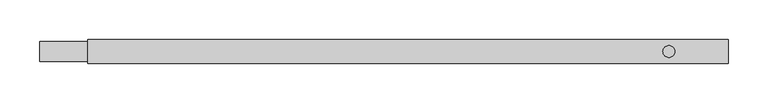
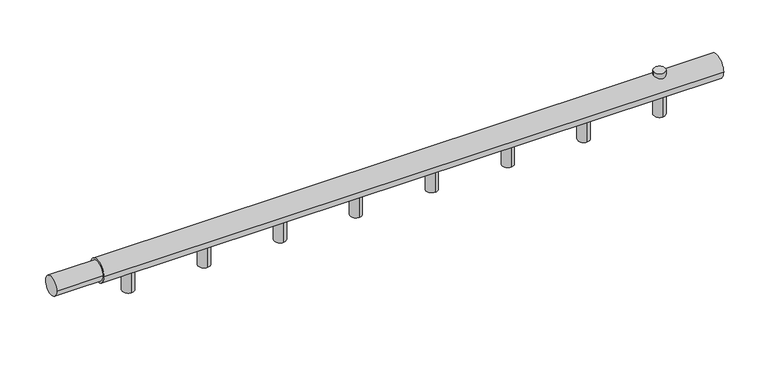
"""IFC4 building model written with IfcOpenShell, lengths in millimetres: proxy geometry."""

from ifc_helpers import new_model, si_unit, point, frame, frame_2d, origin, origin_with_axes, origin_2d, place, context, project, spatial, circle_curve, trimmed, segment, composite_curve, outline, extrude, source, transform, mapped, element, save


def mechanical_equipment_4c40f682(model_context):
    return source(origin(), model_context, "Body", "SweptSolid", [
        extrude(outline(composite_curve([segment(trimmed(circle_curve(frame_2d((790.4545455, 0.0)), 7.5), [point((782.9545455, 0.0))], [point((797.9545455, 0.0))], False, "CARTESIAN"), True, "CONTINUOUS"), segment(trimmed(circle_curve(frame_2d((790.4545455, 0.0)), 7.5), [point((797.9545455, 0.0))], [point((782.9545455, 0.0))], False, "CARTESIAN"), True, "CONTINUOUS")], self_intersect=False)), origin_with_axes(), (0.0, 0.0, 1.0), 20.0),
        extrude(outline(composite_curve([segment(trimmed(circle_curve(origin_2d(), 12.5), [point((-12.5, 0.0))], [point((12.5, 0.0))], False, "CARTESIAN"), True, "CONTINUOUS"), segment(trimmed(circle_curve(origin_2d(), 12.5), [point((12.5, 0.0))], [point((-12.5, 0.0))], False, "CARTESIAN"), True, "CONTINUOUS")], self_intersect=False)), frame((0.0, 0.0, 0.0), z_axis=(1.0, 0.0, 0.0), x_axis=(0.0, 1.0, 0.0)), (0.0, 0.0, 1.0), 60.0),
        extrude(outline(composite_curve([segment(trimmed(circle_curve(origin_2d(), 15.0), [point((-15.0, 0.0))], [point((15.0, 0.0))], False, "CARTESIAN"), True, "CONTINUOUS"), segment(trimmed(circle_curve(origin_2d(), 15.0), [point((15.0, 0.0))], [point((-15.0, 0.0))], False, "CARTESIAN"), True, "CONTINUOUS")], self_intersect=False)), frame((60.0, 0.0, 0.0), z_axis=(1.0, 0.0, 0.0), x_axis=(0.0, 1.0, 0.0)), (0.0, 0.0, 1.0), 805.0),
        extrude(outline(composite_curve([segment(trimmed(circle_curve(frame_2d((790.4545455, 0.0)), 7.5), [point((790.4545455, 7.5))], [point((790.4545455, -7.5))], False, "CARTESIAN"), True, "CONTINUOUS"), segment(trimmed(circle_curve(frame_2d((790.4545455, 0.0)), 7.5), [point((790.4545455, -7.5))], [point((790.4545455, 7.5))], False, "CARTESIAN"), True, "CONTINUOUS")], self_intersect=False)), frame((0.0, 0.0, -40.0), z_axis=(0.0, 0.0, 1.0), x_axis=(1.0, 0.0, 0.0)), (0.0, 0.0, 1.0), 40.0),
        extrude(outline(composite_curve([segment(trimmed(circle_curve(frame_2d((691.8181818, 0.0)), 7.5), [point((691.8181818, 7.5))], [point((691.8181818, -7.5))], False, "CARTESIAN"), True, "CONTINUOUS"), segment(trimmed(circle_curve(frame_2d((691.8181818, 0.0)), 7.5), [point((691.8181818, -7.5))], [point((691.8181818, 7.5))], False, "CARTESIAN"), True, "CONTINUOUS")], self_intersect=False)), frame((0.0, 0.0, -40.0), z_axis=(0.0, 0.0, 1.0), x_axis=(1.0, 0.0, 0.0)), (0.0, 0.0, 1.0), 40.0),
        extrude(outline(composite_curve([segment(trimmed(circle_curve(frame_2d((593.1818182, 0.0)), 7.5), [point((593.1818182, 7.5))], [point((593.1818182, -7.5))], False, "CARTESIAN"), True, "CONTINUOUS"), segment(trimmed(circle_curve(frame_2d((593.1818182, 0.0)), 7.5), [point((593.1818182, -7.5))], [point((593.1818182, 7.5))], False, "CARTESIAN"), True, "CONTINUOUS")], self_intersect=False)), frame((0.0, 0.0, -40.0), z_axis=(0.0, 0.0, 1.0), x_axis=(1.0, 0.0, 0.0)), (0.0, 0.0, 1.0), 40.0),
        extrude(outline(composite_curve([segment(trimmed(circle_curve(frame_2d((494.5454545, 0.0)), 7.5), [point((494.5454545, 7.5))], [point((494.5454545, -7.5))], False, "CARTESIAN"), True, "CONTINUOUS"), segment(trimmed(circle_curve(frame_2d((494.5454545, 0.0)), 7.5), [point((494.5454545, -7.5))], [point((494.5454545, 7.5))], False, "CARTESIAN"), True, "CONTINUOUS")], self_intersect=False)), frame((0.0, 0.0, -40.0), z_axis=(0.0, 0.0, 1.0), x_axis=(1.0, 0.0, 0.0)), (0.0, 0.0, 1.0), 40.0),
        extrude(outline(composite_curve([segment(trimmed(circle_curve(frame_2d((395.9090909, 0.0)), 7.5), [point((395.9090909, 7.5))], [point((395.9090909, -7.5))], False, "CARTESIAN"), True, "CONTINUOUS"), segment(trimmed(circle_curve(frame_2d((395.9090909, 0.0)), 7.5), [point((395.9090909, -7.5))], [point((395.9090909, 7.5))], False, "CARTESIAN"), True, "CONTINUOUS")], self_intersect=False)), frame((0.0, 0.0, -40.0), z_axis=(0.0, 0.0, 1.0), x_axis=(1.0, 0.0, 0.0)), (0.0, 0.0, 1.0), 40.0),
        extrude(outline(composite_curve([segment(trimmed(circle_curve(frame_2d((297.2727273, 0.0)), 7.5), [point((297.2727273, 7.5))], [point((297.2727273, -7.5))], False, "CARTESIAN"), True, "CONTINUOUS"), segment(trimmed(circle_curve(frame_2d((297.2727273, 0.0)), 7.5), [point((297.2727273, -7.5))], [point((297.2727273, 7.5))], False, "CARTESIAN"), True, "CONTINUOUS")], self_intersect=False)), frame((0.0, 0.0, -40.0), z_axis=(0.0, 0.0, 1.0), x_axis=(1.0, 0.0, 0.0)), (0.0, 0.0, 1.0), 40.0),
        extrude(outline(composite_curve([segment(trimmed(circle_curve(frame_2d((198.6363636, 0.0)), 7.5), [point((198.6363636, 7.5))], [point((198.6363636, -7.5))], False, "CARTESIAN"), True, "CONTINUOUS"), segment(trimmed(circle_curve(frame_2d((198.6363636, 0.0)), 7.5), [point((198.6363636, -7.5))], [point((198.6363636, 7.5))], False, "CARTESIAN"), True, "CONTINUOUS")], self_intersect=False)), frame((0.0, 0.0, -40.0), z_axis=(0.0, 0.0, 1.0), x_axis=(1.0, 0.0, 0.0)), (0.0, 0.0, 1.0), 40.0),
        extrude(outline(composite_curve([segment(trimmed(circle_curve(frame_2d((100.0, 0.0)), 7.5), [point((100.0, 7.5))], [point((100.0, -7.5))], False, "CARTESIAN"), True, "CONTINUOUS"), segment(trimmed(circle_curve(frame_2d((100.0, 0.0)), 7.5), [point((100.0, -7.5))], [point((100.0, 7.5))], False, "CARTESIAN"), True, "CONTINUOUS")], self_intersect=False)), frame((0.0, 0.0, -40.0), z_axis=(0.0, 0.0, 1.0), x_axis=(1.0, 0.0, 0.0)), (0.0, 0.0, 1.0), 40.0),
    ])


if __name__ == "__main__":
    model = new_model("IFC4")
    model_context = context("Model", 3, world=origin())
    ifc_project = project(units=[si_unit("LENGTHUNIT", "METRE", prefix="MILLI")], contexts=[model_context])
    site = spatial("IfcSite", under=ifc_project)
    building = spatial("IfcBuilding", under=site)
    placement = place(None, origin())
    mechanical_equipment_shape = mechanical_equipment_4c40f682(model_context)
    element("IfcBuildingElementProxy", 1, Name="Mechanical Equipment", at=placement, inside=building, context=model_context, shape_type="MappedRepresentation", body=[
        mapped(mechanical_equipment_shape, transform((0.0, 0.0, 0.0), x_axis=(1.0, 0.0, 0.0), y_axis=(0.0, 1.0, 0.0), z_axis=(0.0, 0.0, 1.0))),
    ])
    save(model, "model.ifc")
